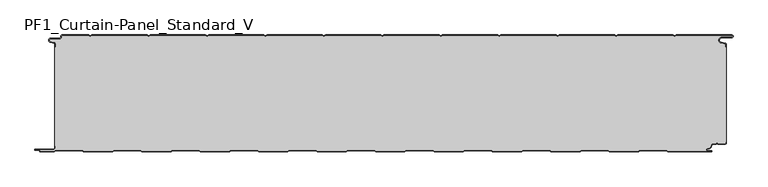
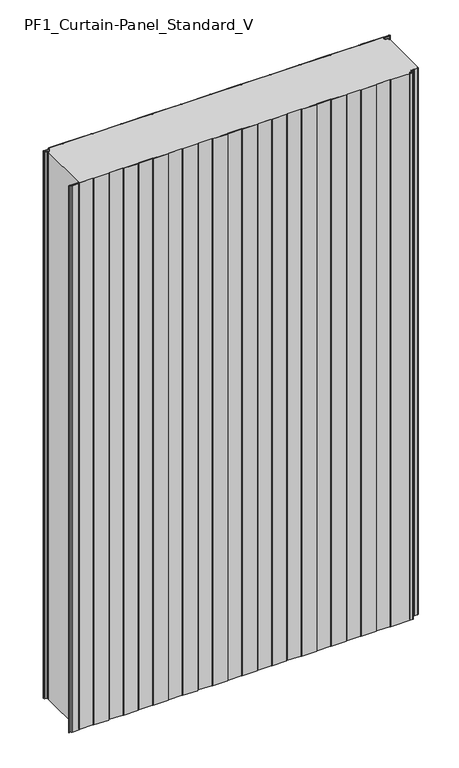
"""IFC4 building model written with IfcOpenShell, lengths in millimetres: plate geometry, PF1_Curtain-Panel_Standard_V."""

from ifc_helpers import new_model, si_unit, point, frame_2d, origin, origin_with_axes, place, context, project, spatial, polyline, circle_curve, trimmed, segment, composite_curve, outline, extrude, source, transform, mapped, element, save


def pf1_curtain_panel_standard_v_0e950bbf(model_context):
    return source(origin(), model_context, "Body", "SweptSolid", [
        extrude(outline(composite_curve([segment(trimmed(circle_curve(frame_2d((-577.0, -15.878557)), 2.0), [point((-575.0, -15.878557))], [point((-576.5500978, -13.9298169))], True, "CARTESIAN"), True, "CONTINUOUS"), segment(polyline([(-576.5500978, -13.9298169), (-582.7098239, -12.507732)]), True, "CONTINUOUS"), segment(trimmed(circle_curve(frame_2d((-581.9, -9.0)), 3.6), [point((-582.7098239, -12.507732))], [point((-581.9, -5.4))], False, "CARTESIAN"), True, "CONTINUOUS"), segment(polyline([(-581.9, -5.4), (-566.4, -5.4)]), True, "CONTINUOUS"), segment(trimmed(circle_curve(frame_2d((-566.4, -3.4)), 2.0), [point((-566.4, -5.4))], [point((-564.4, -3.4))], True, "CARTESIAN"), True, "CONTINUOUS"), segment(polyline([(-564.4, -3.4), (-564.4, -2.0)]), True, "CONTINUOUS"), segment(trimmed(circle_curve(frame_2d((-562.4, -2.0)), 2.0), [point((-564.4, -2.0))], [point((-562.4, 0.0))], False, "CARTESIAN"), True, "CONTINUOUS"), segment(polyline([(-562.4, 0.0), (-517.0999995, 0.0), (-514.4, -1.5588455), (-511.7000005, 0.0), (-417.0999995, 0.0), (-414.4, -1.5588455), (-411.7000005, 0.0), (-317.0999995, 0.0), (-314.4, -1.5588455), (-311.7000005, 0.0), (-217.0999995, 0.0), (-214.4, -1.5588455), (-211.7000005, 0.0), (-117.0999995, 0.0), (-114.4, -1.5588455), (-111.7000005, 0.0), (-17.0999995, 0.0), (-14.4, -1.5588455), (-11.7000005, 0.0), (82.9000005, 0.0), (85.6, -1.5588455), (88.2999995, 0.0), (182.9000005, 0.0), (185.6, -1.5588455), (188.2999995, 0.0), (282.9000005, 0.0), (285.6, -1.5588455), (288.2999995, 0.0), (382.9000005, 0.0), (385.6, -1.5588455), (388.2999995, 0.0), (482.9000005, 0.0), (485.6, -1.5588455), (488.2999995, 0.0), (583.268846, 0.0)]), True, "CONTINUOUS"), segment(trimmed(circle_curve(frame_2d((583.268846, -2.5)), 2.5), [point((583.268846, 0.0))], [point((583.268846, -5.0))], False, "CARTESIAN"), True, "CONTINUOUS"), segment(polyline([(583.268846, -5.0), (566.268846, -5.0)]), True, "CONTINUOUS"), segment(trimmed(circle_curve(frame_2d((566.268846, -9.0)), 4.0), [point((566.268846, -5.0))], [point((565.574253, -12.939231))], True, "CARTESIAN"), True, "CONTINUOUS"), segment(polyline([(565.574253, -12.939231), (572.0203315, -14.0758491)]), True, "CONTINUOUS"), segment(trimmed(circle_curve(frame_2d((571.568846, -16.6363492)), 2.6), [point((572.0203315, -14.0758491))], [point((574.168846, -16.6363492))], False, "CARTESIAN"), True, "CONTINUOUS"), segment(polyline([(574.168846, -16.6363492), (574.168846, -20.0), (573.368846, -20.0), (573.368846, -16.6363492)]), True, "CONTINUOUS"), segment(trimmed(circle_curve(frame_2d((571.568846, -16.6363492)), 1.8), [point((573.368846, -16.6363492))], [point((571.8814129, -14.8636953))], True, "CARTESIAN"), True, "CONTINUOUS"), segment(polyline([(571.8814129, -14.8636953), (565.4353344, -13.7270772)]), True, "CONTINUOUS"), segment(trimmed(circle_curve(frame_2d((566.268846, -9.0)), 4.8), [point((565.4353344, -13.7270772))], [point((566.268846, -4.2))], False, "CARTESIAN"), True, "CONTINUOUS"), segment(polyline([(566.268846, -4.2), (583.268846, -4.2)]), True, "CONTINUOUS"), segment(trimmed(circle_curve(frame_2d((583.268846, -2.5)), 1.7), [point((583.268846, -4.2))], [point((583.268846, -0.8))], True, "CARTESIAN"), True, "CONTINUOUS"), segment(polyline([(583.268846, -0.8), (488.5143588, -0.8), (485.6, -2.482606), (482.6856412, -0.8), (388.5143588, -0.8), (385.6, -2.482606), (382.6856412, -0.8), (288.5143588, -0.8), (285.6, -2.482606), (282.6856412, -0.8), (188.5143588, -0.8), (185.6, -2.482606), (182.6856412, -0.8), (88.5143588, -0.8), (85.6, -2.482606), (82.6856412, -0.8), (-11.4856412, -0.8), (-14.4, -2.482606), (-17.3143588, -0.8), (-111.4856412, -0.8), (-114.4, -2.482606), (-117.3143588, -0.8), (-211.4856412, -0.8), (-214.4, -2.482606), (-217.3143588, -0.8), (-311.4856412, -0.8), (-314.4, -2.482606), (-317.3143588, -0.8), (-411.4856412, -0.8), (-414.4, -2.482606), (-417.3143588, -0.8), (-511.4856412, -0.8), (-514.4, -2.482606), (-517.3143588, -0.8), (-562.4, -0.8)]), True, "CONTINUOUS"), segment(trimmed(circle_curve(frame_2d((-562.4, -2.0)), 1.2), [point((-562.4, -0.8))], [point((-563.6, -2.0))], True, "CARTESIAN"), True, "CONTINUOUS"), segment(polyline([(-563.6, -2.0), (-563.6, -3.4)]), True, "CONTINUOUS"), segment(trimmed(circle_curve(frame_2d((-566.4, -3.4)), 2.8), [point((-563.6, -3.4))], [point((-566.4, -6.2))], False, "CARTESIAN"), True, "CONTINUOUS"), segment(polyline([(-566.4, -6.2), (-581.9, -6.2)]), True, "CONTINUOUS"), segment(trimmed(circle_curve(frame_2d((-581.9, -9.0)), 2.8), [point((-581.9, -6.2))], [point((-582.529863, -11.7282362))], True, "CARTESIAN"), True, "CONTINUOUS"), segment(polyline([(-582.529863, -11.7282362), (-576.370137, -13.150321)]), True, "CONTINUOUS"), segment(trimmed(circle_curve(frame_2d((-577.0, -15.878557)), 2.8), [point((-576.370137, -13.150321))], [point((-574.2, -15.878557))], False, "CARTESIAN"), True, "CONTINUOUS"), segment(polyline([(-574.2, -15.878557), (-574.2, -20.0), (-575.0, -20.0), (-575.0, -15.878557)]), True, "CONTINUOUS")], self_intersect=False)), origin_with_axes(), (0.0, 0.0, 1.0), 1945.7507136),
        extrude(outline(composite_curve([segment(polyline([(-574.2, -190.0), (-575.0, -190.0), (-575.0, -20.0), (-574.2, -20.0), (-574.2, -15.878557)]), True, "CONTINUOUS"), segment(trimmed(circle_curve(frame_2d((-577.0, -15.878557)), 2.8), [point((-574.2, -15.878557))], [point((-576.370137, -13.1503208))], True, "CARTESIAN"), True, "CONTINUOUS"), segment(polyline([(-576.370137, -13.1503208), (-582.529863, -11.7282362)]), True, "CONTINUOUS"), segment(trimmed(circle_curve(frame_2d((-581.9, -9.0)), 2.8), [point((-582.529863, -11.7282362))], [point((-581.9, -6.2))], False, "CARTESIAN"), True, "CONTINUOUS"), segment(polyline([(-581.9, -6.2), (-566.4, -6.2)]), True, "CONTINUOUS"), segment(trimmed(circle_curve(frame_2d((-566.4, -3.4)), 2.8), [point((-566.4, -6.2))], [point((-563.6, -3.4))], True, "CARTESIAN"), True, "CONTINUOUS"), segment(polyline([(-563.6, -3.4), (-563.6, -2.0)]), True, "CONTINUOUS"), segment(trimmed(circle_curve(frame_2d((-562.4, -2.0)), 1.2), [point((-563.6, -2.0))], [point((-562.4, -0.8))], False, "CARTESIAN"), True, "CONTINUOUS"), segment(polyline([(-562.4, -0.8), (-517.3143588, -0.8), (-514.4, -2.482606), (-511.4856412, -0.8), (-417.3143588, -0.8), (-414.4, -2.482606), (-411.4856412, -0.8), (-317.3143588, -0.8), (-314.4, -2.482606), (-311.4856412, -0.8), (-217.3143588, -0.8), (-214.4, -2.482606), (-211.4856412, -0.8), (-117.3143588, -0.8), (-114.4, -2.482606), (-111.4856412, -0.8), (-17.3143588, -0.8), (-14.4, -2.482606), (-11.4856412, -0.8), (82.6856412, -0.8), (85.6, -2.482606), (88.5143588, -0.8), (182.6856412, -0.8), (185.6, -2.482606), (188.5143588, -0.8), (282.6856412, -0.8), (285.6, -2.482606), (288.5143588, -0.8), (382.6856412, -0.8), (385.6, -2.482606), (388.5143588, -0.8), (482.6856412, -0.8), (485.6, -2.482606), (488.5143588, -0.8), (583.268846, -0.8)]), True, "CONTINUOUS"), segment(trimmed(circle_curve(frame_2d((583.268846, -2.5)), 1.7), [point((583.268846, -0.8))], [point((583.268846, -4.2))], False, "CARTESIAN"), True, "CONTINUOUS"), segment(polyline([(583.268846, -4.2), (566.268846, -4.2)]), True, "CONTINUOUS"), segment(trimmed(circle_curve(frame_2d((566.268846, -9.0)), 4.8), [point((566.268846, -4.2))], [point((565.4353344, -13.7270772))], True, "CARTESIAN"), True, "CONTINUOUS"), segment(polyline([(565.4353344, -13.7270772), (571.8814129, -14.8636953)]), True, "CONTINUOUS"), segment(trimmed(circle_curve(frame_2d((571.568846, -16.6363492)), 1.8), [point((571.8814129, -14.8636953))], [point((573.368846, -16.6363492))], False, "CARTESIAN"), True, "CONTINUOUS"), segment(polyline([(573.368846, -16.6363492), (573.368846, -20.0), (574.168846, -20.0), (574.168846, -183.0), (573.368846, -183.0), (573.368846, -184.4)]), True, "CONTINUOUS"), segment(trimmed(circle_curve(frame_2d((571.568846, -184.4)), 1.8), [point((573.368846, -184.4))], [point((571.568846, -186.2))], False, "CARTESIAN"), True, "CONTINUOUS"), segment(polyline([(571.568846, -186.2), (560.0002158, -186.2), (558.168846, -184.3686285), (556.3374762, -186.2), (550.168846, -186.2)]), True, "CONTINUOUS"), segment(trimmed(circle_curve(frame_2d((550.168846, -188.0)), 1.8), [point((550.168846, -186.2))], [point((548.368846, -188.0))], True, "CARTESIAN"), True, "CONTINUOUS"), segment(polyline([(548.368846, -188.0), (548.368846, -188.8276204)]), True, "CONTINUOUS"), segment(trimmed(circle_curve(frame_2d((542.9964664, -188.8276204)), 5.3723796), [point((548.368846, -188.8276204))], [point((542.9964664, -194.2))], False, "CARTESIAN"), True, "CONTINUOUS"), segment(polyline([(542.9964664, -194.2), (542.168846, -194.2)]), True, "CONTINUOUS"), segment(trimmed(circle_curve(frame_2d((542.168846, -196.4)), 2.2), [point((542.168846, -194.2))], [point((542.168846, -198.6))], True, "CARTESIAN"), True, "CONTINUOUS"), segment(polyline([(542.168846, -198.6), (548.0579973, -198.6)]), True, "CONTINUOUS"), segment(trimmed(circle_curve(frame_2d((548.0579973, -198.9)), 0.3), [point((548.0579973, -198.6))], [point((548.0579973, -199.2))], False, "CARTESIAN"), True, "CONTINUOUS"), segment(polyline([(548.0579973, -199.2), (474.2152562, -199.2), (471.6171786, -197.7), (426.3884624, -197.7), (423.7903848, -199.2), (374.2152562, -199.2), (371.6171786, -197.7), (326.3884624, -197.7), (323.7903848, -199.2), (274.2152562, -199.2), (271.6171786, -197.7), (226.3884624, -197.7), (223.7903848, -199.2), (174.2152562, -199.2), (171.6171786, -197.7), (126.3884624, -197.7), (123.7903848, -199.2), (74.2152562, -199.2), (71.6171786, -197.7), (26.3884624, -197.7), (23.7903848, -199.2), (-25.7847438, -199.2), (-28.3828214, -197.7), (-73.6115376, -197.7), (-76.2096152, -199.2), (-125.7847438, -199.2), (-128.3828214, -197.7), (-173.6115376, -197.7), (-176.2096152, -199.2), (-225.7847438, -199.2), (-228.3828214, -197.7), (-273.6115376, -197.7), (-276.2096152, -199.2), (-325.7847438, -199.2), (-328.3828214, -197.7), (-373.6115376, -197.7), (-376.2096152, -199.2), (-425.7847438, -199.2), (-428.3828214, -197.7), (-473.6115376, -197.7), (-476.2096152, -199.2), (-525.7847438, -199.2), (-528.3828214, -197.7), (-573.6115376, -197.7), (-576.2096152, -199.2), (-599.4, -199.2)]), True, "CONTINUOUS"), segment(trimmed(circle_curve(frame_2d((-599.4, -198.4)), 0.8), [point((-599.4, -199.2))], [point((-600.2, -198.4))], False, "CARTESIAN"), True, "CONTINUOUS"), segment(trimmed(circle_curve(frame_2d((-601.9, -198.6133333)), 1.7133333), [point((-600.2, -198.4))], [point((-601.9, -196.9))], True, "CARTESIAN"), True, "CONTINUOUS"), segment(polyline([(-601.9, -196.9), (-607.8700312, -196.9)]), True, "CONTINUOUS"), segment(trimmed(circle_curve(frame_2d((-607.8700312, -196.6)), 0.3), [point((-607.8700312, -196.9))], [point((-607.8700312, -196.3))], False, "CARTESIAN"), True, "CONTINUOUS"), segment(polyline([(-607.8700312, -196.3), (-577.0, -196.3)]), True, "CONTINUOUS"), segment(trimmed(circle_curve(frame_2d((-577.0, -193.5)), 2.8), [point((-577.0, -196.3))], [point((-574.2, -193.5))], True, "CARTESIAN"), True, "CONTINUOUS"), segment(polyline([(-574.2, -193.5), (-574.2, -190.0)]), True, "CONTINUOUS")], self_intersect=False)), origin_with_axes(), (0.0, 0.0, 1.0), 1945.7507136),
        extrude(outline(composite_curve([segment(polyline([(-575.0, -190.0), (-574.2, -190.0), (-574.2, -193.5)]), True, "CONTINUOUS"), segment(trimmed(circle_curve(frame_2d((-577.0, -193.5)), 2.8), [point((-574.2, -193.5))], [point((-577.0, -196.3))], False, "CARTESIAN"), True, "CONTINUOUS"), segment(polyline([(-577.0, -196.3), (-607.8700312, -196.3)]), True, "CONTINUOUS"), segment(trimmed(circle_curve(frame_2d((-607.8700312, -196.6)), 0.3), [point((-607.8700312, -196.3))], [point((-607.8700312, -196.9))], True, "CARTESIAN"), True, "CONTINUOUS"), segment(polyline([(-607.8700312, -196.9), (-601.9, -196.9)]), True, "CONTINUOUS"), segment(trimmed(circle_curve(frame_2d((-601.9, -198.6133333)), 1.7133333), [point((-601.9, -196.9))], [point((-600.2, -198.4))], False, "CARTESIAN"), True, "CONTINUOUS"), segment(trimmed(circle_curve(frame_2d((-599.4, -198.4)), 0.8), [point((-600.2, -198.4))], [point((-599.4, -199.2))], True, "CARTESIAN"), True, "CONTINUOUS"), segment(polyline([(-599.4, -199.2), (-576.2096152, -199.2), (-573.6115376, -197.7), (-528.3828214, -197.7), (-525.7847438, -199.2), (-476.2096152, -199.2), (-473.6115376, -197.7), (-428.3828214, -197.7), (-425.7847438, -199.2), (-376.2096152, -199.2), (-373.6115376, -197.7), (-328.3828214, -197.7), (-325.7847438, -199.2), (-276.2096152, -199.2), (-273.6115376, -197.7), (-228.3828214, -197.7), (-225.7847438, -199.2), (-176.2096152, -199.2), (-173.6115376, -197.7), (-128.3828214, -197.7), (-125.7847438, -199.2), (-76.2096152, -199.2), (-73.6115376, -197.7), (-28.3828214, -197.7), (-25.7847438, -199.2), (23.7903848, -199.2), (26.3884624, -197.7), (71.6171786, -197.7), (74.2152562, -199.2), (123.7903848, -199.2), (126.3884624, -197.7), (171.6171786, -197.7), (174.2152562, -199.2), (223.7903848, -199.2), (226.3884624, -197.7), (271.6171786, -197.7), (274.2152562, -199.2), (323.7903848, -199.2), (326.3884624, -197.7), (371.6171786, -197.7), (374.2152562, -199.2), (423.7903848, -199.2), (426.3884624, -197.7), (471.6171786, -197.7), (474.2152562, -199.2), (548.0579973, -199.2)]), True, "CONTINUOUS"), segment(trimmed(circle_curve(frame_2d((548.0579973, -198.9)), 0.3), [point((548.0579973, -199.2))], [point((548.0579973, -198.6))], True, "CARTESIAN"), True, "CONTINUOUS"), segment(polyline([(548.0579973, -198.6), (542.168846, -198.6)]), True, "CONTINUOUS"), segment(trimmed(circle_curve(frame_2d((542.168846, -196.4)), 2.2), [point((542.168846, -198.6))], [point((542.168846, -194.2))], False, "CARTESIAN"), True, "CONTINUOUS"), segment(polyline([(542.168846, -194.2), (542.9964664, -194.2)]), True, "CONTINUOUS"), segment(trimmed(circle_curve(frame_2d((542.9964664, -188.8276204)), 5.3723796), [point((542.9964664, -194.2))], [point((548.368846, -188.8276204))], True, "CARTESIAN"), True, "CONTINUOUS"), segment(polyline([(548.368846, -188.8276204), (548.368846, -188.0)]), True, "CONTINUOUS"), segment(trimmed(circle_curve(frame_2d((550.168846, -188.0)), 1.8), [point((548.368846, -188.0))], [point((550.168846, -186.2))], False, "CARTESIAN"), True, "CONTINUOUS"), segment(polyline([(550.168846, -186.2), (556.3374762, -186.2), (558.168846, -184.3686285), (560.0002158, -186.2), (571.568846, -186.2)]), True, "CONTINUOUS"), segment(trimmed(circle_curve(frame_2d((571.568846, -184.4)), 1.8), [point((571.568846, -186.2))], [point((573.368846, -184.4))], True, "CARTESIAN"), True, "CONTINUOUS"), segment(polyline([(573.368846, -184.4), (573.368846, -183.0), (574.168846, -183.0), (574.168846, -184.4)]), True, "CONTINUOUS"), segment(trimmed(circle_curve(frame_2d((571.568846, -184.4)), 2.6), [point((574.168846, -184.4))], [point((571.568846, -187.0))], False, "CARTESIAN"), True, "CONTINUOUS"), segment(polyline([(571.568846, -187.0), (559.6688448, -187.0), (558.168846, -185.4999999), (556.6688472, -187.0), (550.168846, -187.0)]), True, "CONTINUOUS"), segment(trimmed(circle_curve(frame_2d((550.168846, -188.0)), 1.0), [point((550.168846, -187.0))], [point((549.168846, -188.0))], True, "CARTESIAN"), True, "CONTINUOUS"), segment(polyline([(549.168846, -188.0), (549.168846, -188.8276204)]), True, "CONTINUOUS"), segment(trimmed(circle_curve(frame_2d((542.9964664, -188.8276204)), 6.1723796), [point((549.168846, -188.8276204))], [point((542.9964664, -195.0))], False, "CARTESIAN"), True, "CONTINUOUS"), segment(polyline([(542.9964664, -195.0), (542.168846, -195.0)]), True, "CONTINUOUS"), segment(trimmed(circle_curve(frame_2d((542.168846, -196.5)), 1.5), [point((542.168846, -195.0))], [point((542.168846, -198.0))], True, "CARTESIAN"), True, "CONTINUOUS"), segment(polyline([(542.168846, -198.0), (548.168846, -198.0)]), True, "CONTINUOUS"), segment(trimmed(circle_curve(frame_2d((548.168846, -199.0)), 1.0), [point((548.168846, -198.0))], [point((548.168846, -200.0))], False, "CARTESIAN"), True, "CONTINUOUS"), segment(polyline([(548.168846, -200.0), (474.0008969, -200.0), (471.4028193, -198.5), (426.6028217, -198.5), (424.0047441, -200.0), (374.0008969, -200.0), (371.4028193, -198.5), (326.6028217, -198.5), (324.0047441, -200.0), (274.0008969, -200.0), (271.4028193, -198.5), (226.6028217, -198.5), (224.0047441, -200.0), (174.0008969, -200.0), (171.4028193, -198.5), (126.6028217, -198.5), (124.0047441, -200.0), (74.0008969, -200.0), (71.4028193, -198.5), (26.6028217, -198.5), (24.0047441, -200.0), (-25.9991031, -200.0), (-28.5971807, -198.5), (-73.3971783, -198.5), (-75.9952559, -200.0), (-125.9991031, -200.0), (-128.5971807, -198.5), (-173.3971783, -198.5), (-175.9952559, -200.0), (-225.9991031, -200.0), (-228.5971807, -198.5), (-273.3971783, -198.5), (-275.9952559, -200.0), (-325.9991031, -200.0), (-328.5971807, -198.5), (-373.3971783, -198.5), (-375.9952559, -200.0), (-425.9991031, -200.0), (-428.5971807, -198.5), (-473.3971783, -198.5), (-475.9952559, -200.0), (-525.9991031, -200.0), (-528.5971807, -198.5), (-573.3971783, -198.5), (-575.9952559, -200.0), (-599.4, -200.0)]), True, "CONTINUOUS"), segment(trimmed(circle_curve(frame_2d((-599.4, -198.4)), 1.6), [point((-599.4, -200.0))], [point((-601.0, -198.4))], False, "CARTESIAN"), True, "CONTINUOUS"), segment(trimmed(circle_curve(frame_2d((-601.9, -198.4)), 0.9), [point((-601.0, -198.4))], [point((-601.9, -197.5))], True, "CARTESIAN"), True, "CONTINUOUS"), segment(polyline([(-601.9, -197.5), (-608.0, -197.5)]), True, "CONTINUOUS"), segment(trimmed(circle_curve(frame_2d((-608.0, -196.5)), 1.0), [point((-608.0, -197.5))], [point((-608.0, -195.5))], False, "CARTESIAN"), True, "CONTINUOUS"), segment(polyline([(-608.0, -195.5), (-577.0, -195.5)]), True, "CONTINUOUS"), segment(trimmed(circle_curve(frame_2d((-577.0, -193.5)), 2.0), [point((-577.0, -195.5))], [point((-575.0, -193.5))], True, "CARTESIAN"), True, "CONTINUOUS"), segment(polyline([(-575.0, -193.5), (-575.0, -190.0)]), True, "CONTINUOUS")], self_intersect=False)), origin_with_axes(), (0.0, 0.0, 1.0), 1945.7507136),
    ])


if __name__ == "__main__":
    model = new_model("IFC4")
    model_context = context("Model", 3, world=origin())
    ifc_project = project(units=[si_unit("LENGTHUNIT", "METRE", prefix="MILLI")], contexts=[model_context])
    site = spatial("IfcSite", under=ifc_project)
    building = spatial("IfcBuilding", under=site)
    placement = place(None, origin())
    pf1_curtain_panel_standard_v_shape = pf1_curtain_panel_standard_v_0e950bbf(model_context)
    element("IfcPlate", 1, ObjectType="PF1_Curtain-Panel_Standard_V", at=placement, inside=building, context=model_context, shape_type="MappedRepresentation", body=[
        mapped(pf1_curtain_panel_standard_v_shape, transform((0.0, 0.0, 0.0), x_axis=(1.0, 0.0, 0.0), y_axis=(0.0, 1.0, 0.0), z_axis=(0.0, 0.0, 1.0))),
    ])
    save(model, "model.ifc")
